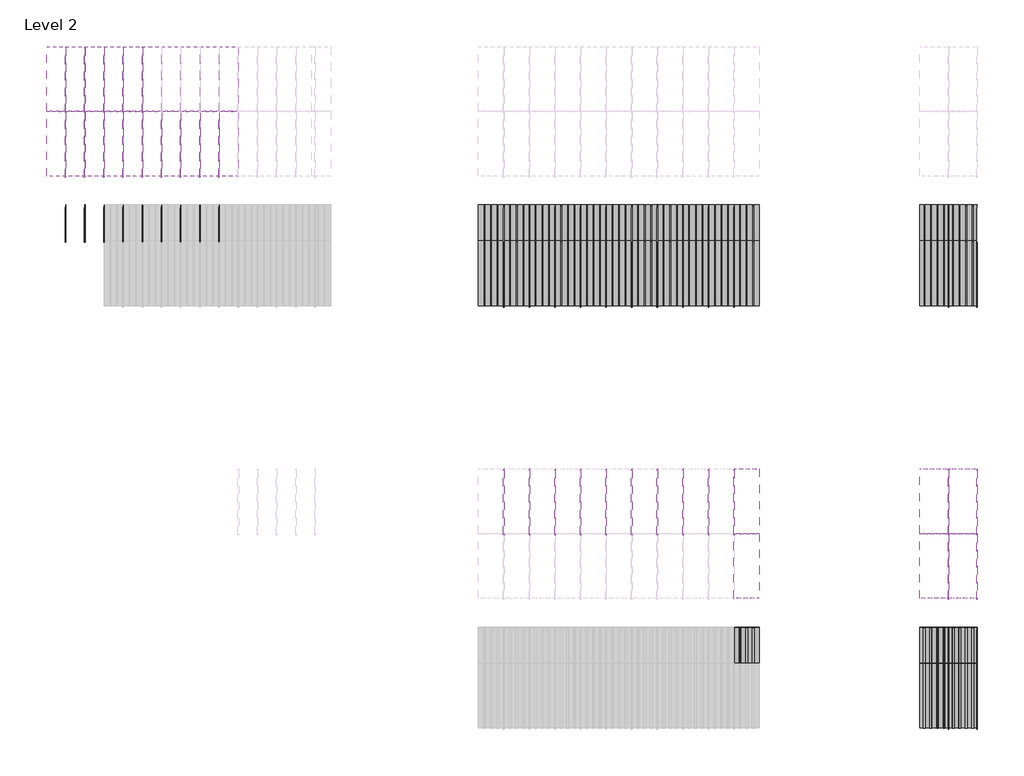
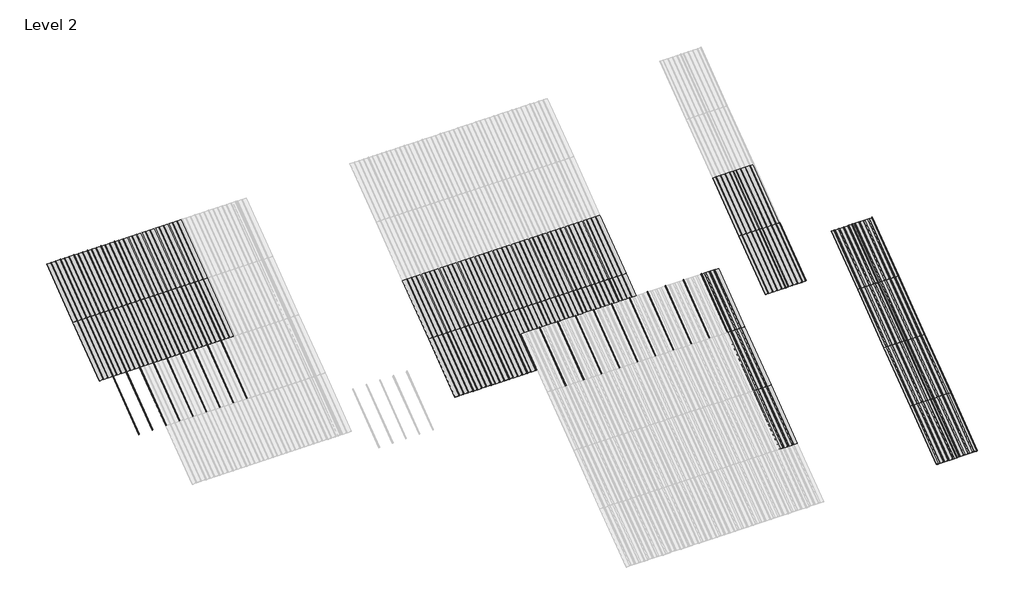
# One storey, part 7 of 113: 57 plates, 53 members.
"""IFC4 building model written with IfcOpenShell, lengths in millimetres."""

import ifcopenshell
import ifcopenshell.guid

model = None  # the IFC model being written
_history = None  # IfcOwnerHistory: only IFC2X3 demands one
_inside = {}  # id of a spatial element -> (the spatial element, [elements in it])
_under = {}  # id of a project, library or spatial element -> (it, [spatial elements below it])
_declared = {}  # id of a project -> (the project, [libraries it declares])
_typed = {}  # id of a type object -> (the type object, [elements of that type])
_made_of = {}  # id of a material, layer set ... -> (it, [elements and type objects made of it])


def new_model(schema):
    """Start an empty IFC model of exactly this schema.

    Asked for "IFC4X3", IfcOpenShell would pick the latest addendum, in which some entities
    have other attributes; the version numbers below select the first issue.
    IFC2X3 requires an IfcOwnerHistory on every rooted entity: one is made here for all.
    """
    global model, _history
    if schema == "IFC4X3":
        model = ifcopenshell.file(schema_version=(4, 3, 0, 0))
    else:
        model = ifcopenshell.file(schema=schema)
    _inside.clear()
    _under.clear()
    _declared.clear()
    _typed.clear()
    _made_of.clear()
    _history = None
    if model.schema == "IFC2X3":
        org = make("IfcOrganization", Name="unknown")
        user = make(
            "IfcPersonAndOrganization",
            ThePerson=make("IfcPerson", FamilyName="unknown"),
            TheOrganization=org,
        )
        app = make(
            "IfcApplication",
            ApplicationDeveloper=org,
            Version="unknown",
            ApplicationFullName="unknown",
            ApplicationIdentifier="unknown",
        )
        _history = make(
            "IfcOwnerHistory",
            OwningUser=user,
            OwningApplication=app,
            ChangeAction="ADDED",
            CreationDate=0,
        )
    return model


def make(cls, **values):
    """One entity of the class cls with the attributes given. An attribute that is None is left unset."""
    return model.create_entity(
        cls, **{name: value for name, value in values.items() if value is not None}
    )


def rooted(cls, **values):
    """An entity with a GlobalId (a new one), such as an element, a storey or a relation."""
    return make(cls, GlobalId=ifcopenshell.guid.new(), OwnerHistory=_history, **values)


def si_unit(unit_type, name, prefix=None):
    """IfcSIUnit, for example si_unit("LENGTHUNIT", "METRE", prefix="MILLI")."""
    return make("IfcSIUnit", UnitType=unit_type, Prefix=prefix, Name=name)


def assignment(units):
    """IfcUnitAssignment: the units of a project."""
    return None if units is None else make("IfcUnitAssignment", Units=units)


def point(xyz):
    """IfcCartesianPoint."""
    return None if xyz is None else make("IfcCartesianPoint", Coordinates=xyz)


def direction(xyz):
    """IfcDirection."""
    return None if xyz is None else make("IfcDirection", DirectionRatios=xyz)


def frame(location, z_axis=None, x_axis=None):
    """IfcAxis2Placement3D, a coordinate frame: its origin and axes. An axis left out is left unset."""
    return make(
        "IfcAxis2Placement3D",
        Location=point(location),
        Axis=direction(z_axis),
        RefDirection=direction(x_axis),
    )


def frame_2d(location, x_axis=None):
    """IfcAxis2Placement2D, a coordinate frame in the plane: its origin and x axis."""
    return make(
        "IfcAxis2Placement2D", Location=point(location), RefDirection=direction(x_axis)
    )


def origin():
    """The frame at (0, 0, 0) with its axes left unset."""
    return frame((0.0, 0.0, 0.0))


def origin_with_axes():
    """The frame at (0, 0, 0) with the z axis (0, 0, 1) and the x axis (1, 0, 0) written out."""
    return frame((0.0, 0.0, 0.0), z_axis=(0.0, 0.0, 1.0), x_axis=(1.0, 0.0, 0.0))


def origin_2d():
    """The frame at (0, 0) in the plane with its x axis left unset."""
    return frame_2d((0.0, 0.0))


def place(relative_to, where):
    """IfcLocalPlacement: puts the frame where relative to a parent placement (None: the world)."""
    return make(
        "IfcLocalPlacement", PlacementRelTo=relative_to, RelativePlacement=where
    )


def context(
    kind, dimensions, precision=None, world=None, true_north=None, identifier=None
):
    """IfcGeometricRepresentationContext, for example the 3D "Model" context."""
    return make(
        "IfcGeometricRepresentationContext",
        ContextIdentifier=identifier,
        ContextType=kind,
        CoordinateSpaceDimension=dimensions,
        Precision=precision,
        WorldCoordinateSystem=world,
        TrueNorth=true_north,
    )


def project(units=None, contexts=None):
    """IfcProject with its units and contexts."""
    return rooted(
        "IfcProject",
        Name="project",
        RepresentationContexts=contexts,
        UnitsInContext=assignment(units),
    )


def spatial(cls, under=None, at=None, **own):
    """A site, building, storey or space (cls), placed at a placement, below another one or the project."""
    s = rooted(cls, ObjectPlacement=at, **own)
    if under is not None:
        _under.setdefault(under.id(), (under, []))[1].append(s)
    return s


def polyline(points):
    """IfcPolyline through the points."""
    return make("IfcPolyline", Points=[point(p) for p in points])


def circle_curve(where, radius):
    """IfcCircle in the frame where."""
    return make("IfcCircle", Position=where, Radius=radius)


def trimmed(basis, trim1, trim2, sense, master):
    """IfcTrimmedCurve: the piece of a basis curve between two trims."""
    return make(
        "IfcTrimmedCurve",
        BasisCurve=basis,
        Trim1=trim1,
        Trim2=trim2,
        SenseAgreement=sense,
        MasterRepresentation=master,
    )


def segment(curve, same_sense, transition):
    """IfcCompositeCurveSegment."""
    return make(
        "IfcCompositeCurveSegment",
        Transition=transition,
        SameSense=same_sense,
        ParentCurve=curve,
    )


def composite_curve(segments, self_intersect=None):
    """IfcCompositeCurve: segments joined end to end."""
    return make("IfcCompositeCurve", Segments=segments, SelfIntersect=self_intersect)


def outline(outer, holes=None, kind="AREA"):
    """IfcArbitraryClosedProfileDef: a profile drawn as a closed curve; with holes, ...WithVoids."""
    if holes is None:
        return make("IfcArbitraryClosedProfileDef", ProfileType=kind, OuterCurve=outer)
    return make(
        "IfcArbitraryProfileDefWithVoids",
        ProfileType=kind,
        OuterCurve=outer,
        InnerCurves=holes,
    )


def extrude(swept, where, along, depth):
    """IfcExtrudedAreaSolid: the profile swept, set in the frame where, extruded along a direction by depth."""
    return make(
        "IfcExtrudedAreaSolid",
        SweptArea=swept,
        Position=where,
        ExtrudedDirection=direction(along),
        Depth=depth,
    )


def shape(context_of_items, identifier, shape_type, items):
    """IfcShapeRepresentation: the items that make up one representation, for example the "Body"."""
    return make(
        "IfcShapeRepresentation",
        ContextOfItems=context_of_items,
        RepresentationIdentifier=identifier,
        RepresentationType=shape_type,
        Items=items,
    )


def source(mapping_origin, context_of_items, identifier, shape_type, items):
    """IfcRepresentationMap: a shape defined once, which mapped items show again and again."""
    return make(
        "IfcRepresentationMap",
        MappingOrigin=mapping_origin,
        MappedRepresentation=shape(context_of_items, identifier, shape_type, items),
    )


def transform(
    local_origin,
    x_axis=None,
    y_axis=None,
    z_axis=None,
    scale=None,
    scale2=None,
    scale3=None,
    uniform=True,
):
    """IfcCartesianTransformationOperator3D, or its non-uniform kind. x_axis, y_axis, z_axis: its Axis1, 2, 3."""
    if uniform:
        return make(
            "IfcCartesianTransformationOperator3D",
            Axis1=direction(x_axis),
            Axis2=direction(y_axis),
            LocalOrigin=point(local_origin),
            Scale=scale,
            Axis3=direction(z_axis),
        )
    return make(
        "IfcCartesianTransformationOperator3DnonUniform",
        Axis1=direction(x_axis),
        Axis2=direction(y_axis),
        LocalOrigin=point(local_origin),
        Scale=scale,
        Axis3=direction(z_axis),
        Scale2=scale2,
        Scale3=scale3,
    )


def mapped(mapping_source, mapping_target):
    """IfcMappedItem: shows the shape of a source again, moved by a transform."""
    return make(
        "IfcMappedItem", MappingSource=mapping_source, MappingTarget=mapping_target
    )


def made_of(thing, what):
    """Note that an element or type object is made of a material, layer set ...; save() writes the relation."""
    if what is not None:
        _made_of.setdefault(what.id(), (what, []))[1].append(thing)
    return thing


def element(
    cls,
    number,
    at=None,
    inside=None,
    cuts=None,
    type_object=None,
    material=None,
    context=None,
    identifier="Body",
    shape_type=None,
    held_by="IfcProductDefinitionShape",
    body=None,
    shapes=None,
    **own,
):
    """One element of the class cls, such as IfcWall. Its Tag is "e" and its number.

    at: its placement. inside: the storey or other place that contains it. cuts: it is an
    opening in that element (IfcRelVoidsElement). A single representation is given by context,
    identifier, shape_type and body (its items); several are given by shapes. held_by: the class
    of the entity that holds the representations. save() writes the other relations.
    """
    e = rooted(cls, Tag="e%d" % number, ObjectPlacement=at, **own)
    if body is not None:
        shapes = [shape(context, identifier, shape_type, body)]
    if shapes is not None:
        e.Representation = make(held_by, Representations=shapes)
    if inside is not None:
        _inside.setdefault(inside.id(), (inside, []))[1].append(e)
    if cuts is not None:
        rooted(
            "IfcRelVoidsElement", RelatingBuildingElement=cuts, RelatedOpeningElement=e
        )
    if type_object is not None:
        _typed.setdefault(type_object.id(), (type_object, []))[1].append(e)
    return made_of(e, material)


def aggregate(whole, parts):
    """IfcRelAggregates: a whole, such as a stair, and the parts it consists of."""
    return rooted("IfcRelAggregates", RelatingObject=whole, RelatedObjects=parts)


def save(model, path):
    """Write the relations noted so far, then the file.

    IfcRelAggregates (storeys below a building ...), IfcRelContainedInSpatialStructure (elements
    in a storey), IfcRelDefinesByType, IfcRelAssociatesMaterial and IfcRelDeclares: one each for
    every whole, place, type object, material and project.
    """
    for whole, parts in _under.values():
        aggregate(whole, parts)
    for where, things in _inside.values():
        rooted(
            "IfcRelContainedInSpatialStructure",
            RelatedElements=things,
            RelatingStructure=where,
        )
    for kind, things in _typed.values():
        rooted("IfcRelDefinesByType", RelatedObjects=things, RelatingType=kind)
    for what, things in _made_of.values():
        rooted("IfcRelAssociatesMaterial", RelatedObjects=things, RelatingMaterial=what)
    for by, libraries in _declared.values():
        rooted("IfcRelDeclares", RelatingContext=by, RelatedDefinitions=libraries)
    model.write(path)


def rectangular_mullion_707b4951(model_context):
    return source(origin(), model_context, "Body", "SweptSolid", [
        extrude(outline(composite_curve([segment(polyline([(-1.651, -33.918525), (-1.651, 0.396875), (1.778, 0.396875), (1.778, -36.458525)]), True, "CONTINUOUS"), segment(trimmed(circle_curve(frame_2d((-0.762, -36.458525)), 2.54), [point((1.778, -36.458525))], [point((-0.762, -38.998525))], False, "CARTESIAN"), True, "CONTINUOUS"), segment(polyline([(-0.762, -38.998525), (-5.207, -38.998525)]), True, "CONTINUOUS"), segment(trimmed(circle_curve(frame_2d((-5.207, -36.458525)), 2.54), [point((-5.207, -38.998525))], [point((-7.747, -36.458525))], False, "CARTESIAN"), True, "CONTINUOUS"), segment(polyline([(-7.747, -36.458525), (-7.747, -26.425525)]), True, "CONTINUOUS"), segment(trimmed(circle_curve(frame_2d((-5.207, -26.425525)), 2.54), [point((-7.747, -26.425525))], [point((-2.667, -26.425525))], False, "CARTESIAN"), True, "CONTINUOUS"), segment(polyline([(-2.667, -26.425525), (-2.667, -33.918525), (-1.651, -33.918525)]), True, "CONTINUOUS")], self_intersect=False)), frame((0.0, 0.0, -1285.875), z_axis=(0.0, 0.0, 1.0), x_axis=(1.0, 0.0, 0.0)), (0.0, 0.0, 1.0), 1285.875),
    ])


def plate_0_032_aluminium_91d3225e(model_context):
    return source(origin(), model_context, "Body", "SweptSolid", [
        extrude(outline(polyline([(-123.9800294, 0.8128), (-120.4316494, -2.73558), (-90.8914494, -2.73558), (-87.3430694, 0.8128), (-18.31848, 0.8128), (-14.7701, -2.73558), (14.7701, -2.73558), (18.31848, 0.8128), (85.75548, 0.8128), (89.30386, -2.73558), (118.84406, -2.73558), (122.39244, 0.8128), (203.2, 0.8128), (203.2, 0.0), (122.456147, 0.0), (118.907767, -3.54838), (89.240153, -3.54838), (85.691773, 0.0), (18.382187, 0.0), (14.833807, -3.54838), (-14.833807, -3.54838), (-18.382187, 0.0), (-87.2793624, 0.0), (-90.8277424, -3.54838), (-120.4953564, -3.54838), (-124.0437364, 0.0), (-203.2, 0.0), (-203.2, 0.8128), (-123.9800294, 0.8128)])), origin_with_axes(), (0.0, 0.0, 1.0), 1285.875),
    ])


def plate_0_032_aluminium_9b7b38d6(model_context):
    return source(origin(), model_context, "Body", "SweptSolid", [
        extrude(outline(polyline([(33.654793, 0.0), (-33.654793, 0.0), (-37.203173, -3.54838), (-66.870787, -3.54838), (-70.419167, 0.0), (-137.728753, 0.0), (-141.277133, -3.54838), (-170.944747, -3.54838), (-174.493127, 0.0), (-228.6, 0.0), (-228.6, 0.8128), (-174.42942, 0.8128), (-170.88104, -2.73558), (-141.34084, -2.73558), (-137.79246, 0.8128), (-70.35546, 0.8128), (-66.80708, -2.73558), (-37.26688, -2.73558), (-33.7185, 0.8128), (33.7185, 0.8128), (37.26688, -2.73558), (66.80708, -2.73558), (70.35546, 0.8128), (137.79246, 0.8128), (141.34084, -2.73558), (170.88104, -2.73558), (174.42942, 0.8128), (228.6, 0.8128), (228.6, 0.0), (174.493127, 0.0), (170.944747, -3.54838), (141.277133, -3.54838), (137.728753, 0.0), (70.419167, 0.0), (66.870787, -3.54838), (37.203173, -3.54838), (33.654793, 0.0)])), origin_with_axes(), (0.0, 0.0, 1.0), 1285.875),
    ])


def plate_0_032_aluminium_90081244(model_context):
    return source(origin(), model_context, "Body", "SweptSolid", [
        extrude(outline(composite_curve([segment(polyline([(-57.57418, 0.8128), (-57.57418, 0.0)]), True, "CONTINUOUS"), segment(trimmed(circle_curve(frame_2d((-52.03698, 0.0)), 5.5372), [point((-57.57418, 0.0))], [point((-46.49978, 0.0))], True, "CARTESIAN"), True, "CONTINUOUS"), segment(polyline([(-46.49978, 0.0), (-46.49978, 0.8128), (46.49978, 0.8128), (46.49978, 0.0)]), True, "CONTINUOUS"), segment(trimmed(circle_curve(frame_2d((52.03698, 0.0)), 5.5372), [point((46.49978, 0.0))], [point((57.57418, 0.0))], True, "CARTESIAN"), True, "CONTINUOUS"), segment(polyline([(57.57418, 0.0), (57.57418, 0.8128), (152.4, 0.8128), (152.4, 0.0), (58.38698, 0.0)]), True, "CONTINUOUS"), segment(trimmed(circle_curve(frame_2d((52.03698, 0.0)), 6.35), [point((58.38698, 0.0))], [point((45.68698, 0.0))], False, "CARTESIAN"), True, "CONTINUOUS"), segment(polyline([(45.68698, 0.0), (-45.68698, 0.0)]), True, "CONTINUOUS"), segment(trimmed(circle_curve(frame_2d((-52.03698, 0.0)), 6.35), [point((-45.68698, 0.0))], [point((-58.38698, 0.0))], False, "CARTESIAN"), True, "CONTINUOUS"), segment(polyline([(-58.38698, 0.0), (-152.4, 0.0), (-152.4, 0.8128), (-57.57418, 0.8128)]), True, "CONTINUOUS")], self_intersect=False)), origin_with_axes(), (0.0, 0.0, 1.0), 1285.875),
    ])


def plate_0_032_aluminium_447bae26(model_context):
    return source(origin(), model_context, "Body", "SweptSolid", [
        extrude(outline(composite_curve([segment(polyline([(-111.1987494, 0.8128), (-111.1987494, 0.0)]), True, "CONTINUOUS"), segment(trimmed(circle_curve(frame_2d((-105.6615494, 0.0)), 5.5372), [point((-111.1987494, 0.0))], [point((-100.1243494, 0.0))], True, "CARTESIAN"), True, "CONTINUOUS"), segment(polyline([(-100.1243494, 0.0), (-100.1243494, 0.8128), (-5.5372, 0.8128), (-5.5372, 0.0)]), True, "CONTINUOUS"), segment(trimmed(circle_curve(origin_2d(), 5.5372), [point((-5.5372, 0.0))], [point((5.5372, 0.0))], True, "CARTESIAN"), True, "CONTINUOUS"), segment(polyline([(5.5372, 0.0), (5.5372, 0.8128), (98.53676, 0.8128), (98.53676, 0.0)]), True, "CONTINUOUS"), segment(trimmed(circle_curve(frame_2d((104.07396, 0.0)), 5.5372), [point((98.53676, 0.0))], [point((109.61116, 0.0))], True, "CARTESIAN"), True, "CONTINUOUS"), segment(polyline([(109.61116, 0.0), (109.61116, 0.8128), (203.2, 0.8128), (203.2, 0.0), (110.42396, 0.0)]), True, "CONTINUOUS"), segment(trimmed(circle_curve(frame_2d((104.07396, 0.0)), 6.35), [point((110.42396, 0.0))], [point((97.72396, 0.0))], False, "CARTESIAN"), True, "CONTINUOUS"), segment(polyline([(97.72396, 0.0), (6.35, 0.0)]), True, "CONTINUOUS"), segment(trimmed(circle_curve(origin_2d(), 6.35), [point((6.35, 0.0))], [point((-6.35, 0.0))], False, "CARTESIAN"), True, "CONTINUOUS"), segment(polyline([(-6.35, 0.0), (-99.3115494, 0.0)]), True, "CONTINUOUS"), segment(trimmed(circle_curve(frame_2d((-105.6615494, 0.0)), 6.35), [point((-99.3115494, 0.0))], [point((-112.0115494, 0.0))], False, "CARTESIAN"), True, "CONTINUOUS"), segment(polyline([(-112.0115494, 0.0), (-203.2, 0.0), (-203.2, 0.8128), (-111.1987494, 0.8128)]), True, "CONTINUOUS")], self_intersect=False)), origin_with_axes(), (0.0, 0.0, 1.0), 1285.875),
    ])


def plate_0_032_aluminium_42d2a43c(model_context):
    return source(origin(), model_context, "Body", "SweptSolid", [
        extrude(outline(composite_curve([segment(polyline([(45.68698, 0.0), (-45.68698, 0.0)]), True, "CONTINUOUS"), segment(trimmed(circle_curve(frame_2d((-52.03698, 0.0)), 6.35), [point((-45.68698, 0.0))], [point((-58.38698, 0.0))], False, "CARTESIAN"), True, "CONTINUOUS"), segment(polyline([(-58.38698, 0.0), (-149.76094, 0.0)]), True, "CONTINUOUS"), segment(trimmed(circle_curve(frame_2d((-156.11094, 0.0)), 6.35), [point((-149.76094, 0.0))], [point((-162.46094, 0.0))], False, "CARTESIAN"), True, "CONTINUOUS"), segment(polyline([(-162.46094, 0.0), (-228.6, 0.0), (-228.6, 0.8128), (-161.64814, 0.8128), (-161.64814, 0.0)]), True, "CONTINUOUS"), segment(trimmed(circle_curve(frame_2d((-156.11094, 0.0)), 5.5372), [point((-161.64814, 0.0))], [point((-150.57374, 0.0))], True, "CARTESIAN"), True, "CONTINUOUS"), segment(polyline([(-150.57374, 0.0), (-150.57374, 0.8128), (-57.57418, 0.8128), (-57.57418, 0.0)]), True, "CONTINUOUS"), segment(trimmed(circle_curve(frame_2d((-52.03698, 0.0)), 5.5372), [point((-57.57418, 0.0))], [point((-46.49978, 0.0))], True, "CARTESIAN"), True, "CONTINUOUS"), segment(polyline([(-46.49978, 0.0), (-46.49978, 0.8128), (46.49978, 0.8128), (46.49978, 0.0)]), True, "CONTINUOUS"), segment(trimmed(circle_curve(frame_2d((52.03698, 0.0)), 5.5372), [point((46.49978, 0.0))], [point((57.57418, 0.0))], True, "CARTESIAN"), True, "CONTINUOUS"), segment(polyline([(57.57418, 0.0), (57.57418, 0.8128), (150.57374, 0.8128), (150.57374, 0.0)]), True, "CONTINUOUS"), segment(trimmed(circle_curve(frame_2d((156.11094, 0.0)), 5.5372), [point((150.57374, 0.0))], [point((161.64814, 0.0))], True, "CARTESIAN"), True, "CONTINUOUS"), segment(polyline([(161.64814, 0.0), (161.64814, 0.8128), (228.6, 0.8128), (228.6, 0.0), (162.46094, 0.0)]), True, "CONTINUOUS"), segment(trimmed(circle_curve(frame_2d((156.11094, 0.0)), 6.35), [point((162.46094, 0.0))], [point((149.76094, 0.0))], False, "CARTESIAN"), True, "CONTINUOUS"), segment(polyline([(149.76094, 0.0), (58.38698, 0.0)]), True, "CONTINUOUS"), segment(trimmed(circle_curve(frame_2d((52.03698, 0.0)), 6.35), [point((58.38698, 0.0))], [point((45.68698, 0.0))], False, "CARTESIAN"), True, "CONTINUOUS")], self_intersect=False)), origin_with_axes(), (0.0, 0.0, 1.0), 1285.875),
    ])


model = new_model("IFC4")

# Units and contexts
model_context = context("Model", 3, world=origin())
ifc_project = project(units=[si_unit("LENGTHUNIT", "METRE", prefix="MILLI")], contexts=[model_context])

# Site, building, storey
site = spatial("IfcSite", under=ifc_project)
building = spatial("IfcBuilding", under=site)
storey = spatial("IfcBuildingStorey", under=building, Name="Level 2", Elevation=3048.0)

# Members
placement = place(None, origin())
rectangular_mullion_shape = rectangular_mullion_707b4951(model_context)
element("IfcMember", 1, ObjectType="Rectangular Mullion", at=placement, inside=storey, context=model_context, shape_type="MappedRepresentation", body=[
    mapped(rectangular_mullion_shape, transform((-7727.6061584, 52371.5493114, 6134.1), x_axis=(1.0, 0.0, 0.0), y_axis=(0.0, 0.5999999999999946, -0.800000000000004), z_axis=(0.0, 0.800000000000004, 0.5999999999999946))),
])
element("IfcMember", 2, ObjectType="Rectangular Mullion", at=placement, inside=storey, context=model_context, shape_type="MappedRepresentation", body=[
    mapped(rectangular_mullion_shape, transform((-7321.2061584, 52371.5493114, 6134.1), x_axis=(1.0, 0.0, 0.0), y_axis=(0.0, 0.5999999999999946, -0.800000000000004), z_axis=(0.0, 0.800000000000004, 0.5999999999999946))),
])
element("IfcMember", 3, ObjectType="Rectangular Mullion", at=placement, inside=storey, context=model_context, shape_type="MappedRepresentation", body=[
    mapped(rectangular_mullion_shape, transform((-6914.8061584, 52371.5493114, 6134.1), x_axis=(1.0, 0.0, 0.0), y_axis=(0.0, 0.5999999999999946, -0.800000000000004), z_axis=(0.0, 0.800000000000004, 0.5999999999999946))),
])
element("IfcMember", 4, ObjectType="Rectangular Mullion", at=placement, inside=storey, context=model_context, shape_type="MappedRepresentation", body=[
    mapped(rectangular_mullion_shape, transform((-6508.4061584, 52371.5493114, 6134.1), x_axis=(1.0, 0.0, 0.0), y_axis=(0.0, 0.5999999999999946, -0.800000000000004), z_axis=(0.0, 0.800000000000004, 0.5999999999999946))),
])
element("IfcMember", 5, ObjectType="Rectangular Mullion", at=placement, inside=storey, context=model_context, shape_type="MappedRepresentation", body=[
    mapped(rectangular_mullion_shape, transform((-6102.0061584, 52371.5493114, 6134.1), x_axis=(1.0, 0.0, 0.0), y_axis=(0.0, 0.5999999999999946, -0.800000000000004), z_axis=(0.0, 0.800000000000004, 0.5999999999999946))),
])
element("IfcMember", 6, ObjectType="Rectangular Mullion", at=placement, inside=storey, context=model_context, shape_type="MappedRepresentation", body=[
    mapped(rectangular_mullion_shape, transform((-5695.6061584, 52371.5493114, 6134.1), x_axis=(1.0, 0.0, 0.0), y_axis=(0.0, 0.5999999999999946, -0.800000000000004), z_axis=(0.0, 0.800000000000004, 0.5999999999999946))),
])
element("IfcMember", 7, ObjectType="Rectangular Mullion", at=placement, inside=storey, context=model_context, shape_type="MappedRepresentation", body=[
    mapped(rectangular_mullion_shape, transform((-5289.2061584, 52371.5493114, 6134.1), x_axis=(1.0, 0.0, 0.0), y_axis=(0.0, 0.5999999999999946, -0.800000000000004), z_axis=(0.0, 0.800000000000004, 0.5999999999999946))),
])
element("IfcMember", 8, ObjectType="Rectangular Mullion", at=placement, inside=storey, context=model_context, shape_type="MappedRepresentation", body=[
    mapped(rectangular_mullion_shape, transform((-4882.8061584, 52371.5493114, 6134.1), x_axis=(1.0, 0.0, 0.0), y_axis=(0.0, 0.5999999999999946, -0.800000000000004), z_axis=(0.0, 0.800000000000004, 0.5999999999999946))),
])
element("IfcMember", 9, ObjectType="Rectangular Mullion", at=placement, inside=storey, context=model_context, shape_type="MappedRepresentation", body=[
    mapped(rectangular_mullion_shape, transform((-4476.4061584, 52371.5493114, 6134.1), x_axis=(1.0, 0.0, 0.0), y_axis=(0.0, 0.5999999999999946, -0.800000000000004), z_axis=(0.0, 0.800000000000004, 0.5999999999999946))),
])
element("IfcMember", 10, ObjectType="Rectangular Mullion", at=placement, inside=storey, context=model_context, shape_type="MappedRepresentation", body=[
    mapped(rectangular_mullion_shape, transform((-666.4061584, 52371.5493114, 6134.1), x_axis=(1.0, 0.0, 0.0), y_axis=(0.0, 0.5999999999999946, -0.800000000000004), z_axis=(0.0, 0.800000000000004, 0.5999999999999946))),
])
element("IfcMember", 11, ObjectType="Rectangular Mullion", at=placement, inside=storey, context=model_context, shape_type="MappedRepresentation", body=[
    mapped(rectangular_mullion_shape, transform((-209.2061584, 52371.5493114, 6134.1), x_axis=(1.0, 0.0, 0.0), y_axis=(0.0, 0.5999999999999946, -0.800000000000004), z_axis=(0.0, 0.800000000000004, 0.5999999999999946))),
])
element("IfcMember", 12, ObjectType="Rectangular Mullion", at=placement, inside=storey, context=model_context, shape_type="MappedRepresentation", body=[
    mapped(rectangular_mullion_shape, transform((-4070.0061584, 52371.5493114, 6134.1), x_axis=(1.0, 0.0, 0.0), y_axis=(0.0, 0.5999999999999946, -0.800000000000004), z_axis=(0.0, 0.800000000000004, 0.5999999999999946))),
])
element("IfcMember", 13, ObjectType="Rectangular Mullion", at=placement, inside=storey, context=model_context, shape_type="MappedRepresentation", body=[
    mapped(rectangular_mullion_shape, transform((-14687.2061584, 59076.6730614, 6134.1), x_axis=(1.0, 0.0, 0.0), y_axis=(0.0, 0.5999999999999946, -0.800000000000004), z_axis=(0.0, 0.800000000000004, 0.5999999999999946))),
])
element("IfcMember", 14, ObjectType="Rectangular Mullion", at=placement, inside=storey, context=model_context, shape_type="MappedRepresentation", body=[
    mapped(rectangular_mullion_shape, transform((-14382.4061584, 59076.6730614, 6134.1), x_axis=(1.0, 0.0, 0.0), y_axis=(0.0, 0.5999999999999946, -0.800000000000004), z_axis=(0.0, 0.800000000000004, 0.5999999999999946))),
])
element("IfcMember", 15, ObjectType="Rectangular Mullion", at=placement, inside=storey, context=model_context, shape_type="MappedRepresentation", body=[
    mapped(rectangular_mullion_shape, transform((-14077.6061584, 59076.6730614, 6134.1), x_axis=(1.0, 0.0, 0.0), y_axis=(0.0, 0.5999999999999946, -0.800000000000004), z_axis=(0.0, 0.800000000000004, 0.5999999999999946))),
])
element("IfcMember", 16, ObjectType="Rectangular Mullion", at=placement, inside=storey, context=model_context, shape_type="MappedRepresentation", body=[
    mapped(rectangular_mullion_shape, transform((-13772.8061584, 59076.6730614, 6134.1), x_axis=(1.0, 0.0, 0.0), y_axis=(0.0, 0.5999999999999946, -0.800000000000004), z_axis=(0.0, 0.800000000000004, 0.5999999999999946))),
])
element("IfcMember", 17, ObjectType="Rectangular Mullion", at=placement, inside=storey, context=model_context, shape_type="MappedRepresentation", body=[
    mapped(rectangular_mullion_shape, transform((-13468.0061584, 59076.6730614, 6134.1), x_axis=(1.0, 0.0, 0.0), y_axis=(0.0, 0.5999999999999946, -0.800000000000004), z_axis=(0.0, 0.800000000000004, 0.5999999999999946))),
])
element("IfcMember", 18, ObjectType="Rectangular Mullion", at=placement, inside=storey, context=model_context, shape_type="MappedRepresentation", body=[
    mapped(rectangular_mullion_shape, transform((-666.4061584, 49285.4493114, 3819.525), x_axis=(1.0, 0.0, 0.0), y_axis=(0.0, 0.5999999999999939, -0.8000000000000047), z_axis=(0.0, 0.8000000000000047, 0.5999999999999939))),
])
element("IfcMember", 19, ObjectType="Rectangular Mullion", at=placement, inside=storey, context=model_context, shape_type="MappedRepresentation", body=[
    mapped(rectangular_mullion_shape, transform((-209.2061584, 49285.4493114, 3819.525), x_axis=(1.0, 0.0, 0.0), y_axis=(0.0, 0.5999999999999939, -0.8000000000000047), z_axis=(0.0, 0.8000000000000047, 0.5999999999999939))),
])
element("IfcMember", 20, ObjectType="Rectangular Mullion", at=placement, inside=storey, context=model_context, shape_type="MappedRepresentation", body=[
    mapped(rectangular_mullion_shape, transform((-7727.6061584, 55990.5730614, 3819.525), x_axis=(1.0, 0.0, 0.0), y_axis=(0.0, 0.5999999999999939, -0.8000000000000047), z_axis=(0.0, 0.8000000000000047, 0.5999999999999939))),
])
element("IfcMember", 21, ObjectType="Rectangular Mullion", at=placement, inside=storey, context=model_context, shape_type="MappedRepresentation", body=[
    mapped(rectangular_mullion_shape, transform((-7321.2061584, 55990.5730614, 3819.525), x_axis=(1.0, 0.0, 0.0), y_axis=(0.0, 0.5999999999999939, -0.8000000000000047), z_axis=(0.0, 0.8000000000000047, 0.5999999999999939))),
])
element("IfcMember", 22, ObjectType="Rectangular Mullion", at=placement, inside=storey, context=model_context, shape_type="MappedRepresentation", body=[
    mapped(rectangular_mullion_shape, transform((-6914.8061584, 55990.5730614, 3819.525), x_axis=(1.0, 0.0, 0.0), y_axis=(0.0, 0.5999999999999939, -0.8000000000000047), z_axis=(0.0, 0.8000000000000047, 0.5999999999999939))),
])
element("IfcMember", 23, ObjectType="Rectangular Mullion", at=placement, inside=storey, context=model_context, shape_type="MappedRepresentation", body=[
    mapped(rectangular_mullion_shape, transform((-6508.4061584, 55990.5730614, 3819.525), x_axis=(1.0, 0.0, 0.0), y_axis=(0.0, 0.5999999999999939, -0.8000000000000047), z_axis=(0.0, 0.8000000000000047, 0.5999999999999939))),
])
element("IfcMember", 24, ObjectType="Rectangular Mullion", at=placement, inside=storey, context=model_context, shape_type="MappedRepresentation", body=[
    mapped(rectangular_mullion_shape, transform((-6102.0061584, 55990.5730614, 3819.525), x_axis=(1.0, 0.0, 0.0), y_axis=(0.0, 0.5999999999999939, -0.8000000000000047), z_axis=(0.0, 0.8000000000000047, 0.5999999999999939))),
])
element("IfcMember", 25, ObjectType="Rectangular Mullion", at=placement, inside=storey, context=model_context, shape_type="MappedRepresentation", body=[
    mapped(rectangular_mullion_shape, transform((-5695.6061584, 55990.5730614, 3819.525), x_axis=(1.0, 0.0, 0.0), y_axis=(0.0, 0.5999999999999939, -0.8000000000000047), z_axis=(0.0, 0.8000000000000047, 0.5999999999999939))),
])
element("IfcMember", 26, ObjectType="Rectangular Mullion", at=placement, inside=storey, context=model_context, shape_type="MappedRepresentation", body=[
    mapped(rectangular_mullion_shape, transform((-5289.2061584, 55990.5730614, 3819.525), x_axis=(1.0, 0.0, 0.0), y_axis=(0.0, 0.5999999999999939, -0.8000000000000047), z_axis=(0.0, 0.8000000000000047, 0.5999999999999939))),
])
element("IfcMember", 27, ObjectType="Rectangular Mullion", at=placement, inside=storey, context=model_context, shape_type="MappedRepresentation", body=[
    mapped(rectangular_mullion_shape, transform((-4882.8061584, 55990.5730614, 3819.525), x_axis=(1.0, 0.0, 0.0), y_axis=(0.0, 0.5999999999999939, -0.8000000000000047), z_axis=(0.0, 0.8000000000000047, 0.5999999999999939))),
])
element("IfcMember", 28, ObjectType="Rectangular Mullion", at=placement, inside=storey, context=model_context, shape_type="MappedRepresentation", body=[
    mapped(rectangular_mullion_shape, transform((-4476.4061584, 55990.5730614, 3819.525), x_axis=(1.0, 0.0, 0.0), y_axis=(0.0, 0.5999999999999939, -0.8000000000000047), z_axis=(0.0, 0.8000000000000047, 0.5999999999999939))),
])
element("IfcMember", 29, ObjectType="Rectangular Mullion", at=placement, inside=storey, context=model_context, shape_type="MappedRepresentation", body=[
    mapped(rectangular_mullion_shape, transform((-666.4061584, 55990.5730614, 3819.525), x_axis=(1.0, 0.0, 0.0), y_axis=(0.0, 0.5999999999999939, -0.8000000000000047), z_axis=(0.0, 0.8000000000000047, 0.5999999999999939))),
])
element("IfcMember", 30, ObjectType="Rectangular Mullion", at=placement, inside=storey, context=model_context, shape_type="MappedRepresentation", body=[
    mapped(rectangular_mullion_shape, transform((-209.2061584, 55990.5730614, 3819.525), x_axis=(1.0, 0.0, 0.0), y_axis=(0.0, 0.5999999999999939, -0.8000000000000047), z_axis=(0.0, 0.8000000000000047, 0.5999999999999939))),
])
element("IfcMember", 31, ObjectType="Rectangular Mullion", at=placement, inside=storey, context=model_context, shape_type="MappedRepresentation", body=[
    mapped(rectangular_mullion_shape, transform((-4070.0061584, 55990.5730614, 3819.525), x_axis=(1.0, 0.0, 0.0), y_axis=(0.0, 0.5999999999999939, -0.8000000000000047), z_axis=(0.0, 0.8000000000000047, 0.5999999999999939))),
])
element("IfcMember", 32, ObjectType="Rectangular Mullion", at=placement, inside=storey, context=model_context, shape_type="MappedRepresentation", body=[
    mapped(rectangular_mullion_shape, transform((-666.4061584, 50314.1493114, 4591.05), x_axis=(1.0, 0.0, 0.0), y_axis=(0.0, 0.5999999999999952, -0.8000000000000037), z_axis=(0.0, 0.8000000000000037, 0.5999999999999952))),
])
element("IfcMember", 33, ObjectType="Rectangular Mullion", at=placement, inside=storey, context=model_context, shape_type="MappedRepresentation", body=[
    mapped(rectangular_mullion_shape, transform((-209.2061584, 50314.1493114, 4591.05), x_axis=(1.0, 0.0, 0.0), y_axis=(0.0, 0.5999999999999952, -0.8000000000000037), z_axis=(0.0, 0.8000000000000037, 0.5999999999999952))),
])
element("IfcMember", 34, ObjectType="Rectangular Mullion", at=placement, inside=storey, context=model_context, shape_type="MappedRepresentation", body=[
    mapped(rectangular_mullion_shape, transform((-666.4061584, 51342.8493114, 5362.575), x_axis=(1.0, 0.0, 0.0), y_axis=(0.0, 0.5999999999999941, -0.8000000000000045), z_axis=(0.0, 0.8000000000000044, 0.599999999999994))),
])
element("IfcMember", 35, ObjectType="Rectangular Mullion", at=placement, inside=storey, context=model_context, shape_type="MappedRepresentation", body=[
    mapped(rectangular_mullion_shape, transform((-209.2061584, 51342.8493114, 5362.575), x_axis=(1.0, 0.0, 0.0), y_axis=(0.0, 0.5999999999999941, -0.8000000000000045), z_axis=(0.0, 0.8000000000000044, 0.599999999999994))),
])
element("IfcMember", 36, ObjectType="Rectangular Mullion", at=placement, inside=storey, context=model_context, shape_type="MappedRepresentation", body=[
    mapped(rectangular_mullion_shape, transform((-14687.2061584, 57019.2730614, 4591.05), x_axis=(1.0, 0.0, 0.0), y_axis=(0.0, 0.5999999999999952, -0.8000000000000037), z_axis=(0.0, 0.8000000000000037, 0.5999999999999952))),
])
element("IfcMember", 37, ObjectType="Rectangular Mullion", at=placement, inside=storey, context=model_context, shape_type="MappedRepresentation", body=[
    mapped(rectangular_mullion_shape, transform((-14382.4061584, 57019.2730614, 4591.05), x_axis=(1.0, 0.0, 0.0), y_axis=(0.0, 0.5999999999999952, -0.8000000000000037), z_axis=(0.0, 0.8000000000000037, 0.5999999999999952))),
])
element("IfcMember", 38, ObjectType="Rectangular Mullion", at=placement, inside=storey, context=model_context, shape_type="MappedRepresentation", body=[
    mapped(rectangular_mullion_shape, transform((-14687.2061584, 58047.9730614, 5362.575), x_axis=(1.0, 0.0, 0.0), y_axis=(0.0, 0.5999999999999941, -0.8000000000000045), z_axis=(0.0, 0.8000000000000044, 0.599999999999994))),
])
element("IfcMember", 39, ObjectType="Rectangular Mullion", at=placement, inside=storey, context=model_context, shape_type="MappedRepresentation", body=[
    mapped(rectangular_mullion_shape, transform((-14382.4061584, 58047.9730614, 5362.575), x_axis=(1.0, 0.0, 0.0), y_axis=(0.0, 0.5999999999999941, -0.8000000000000045), z_axis=(0.0, 0.8000000000000044, 0.599999999999994))),
])
element("IfcMember", 40, ObjectType="Rectangular Mullion", at=placement, inside=storey, context=model_context, shape_type="MappedRepresentation", body=[
    mapped(rectangular_mullion_shape, transform((-14077.6061584, 57019.2730614, 4591.05), x_axis=(1.0, 0.0, 0.0), y_axis=(0.0, 0.5999999999999952, -0.8000000000000037), z_axis=(0.0, 0.8000000000000037, 0.5999999999999952))),
])
element("IfcMember", 41, ObjectType="Rectangular Mullion", at=placement, inside=storey, context=model_context, shape_type="MappedRepresentation", body=[
    mapped(rectangular_mullion_shape, transform((-13772.8061584, 57019.2730614, 4591.05), x_axis=(1.0, 0.0, 0.0), y_axis=(0.0, 0.5999999999999952, -0.8000000000000037), z_axis=(0.0, 0.8000000000000037, 0.5999999999999952))),
])
element("IfcMember", 42, ObjectType="Rectangular Mullion", at=placement, inside=storey, context=model_context, shape_type="MappedRepresentation", body=[
    mapped(rectangular_mullion_shape, transform((-13468.0061584, 57019.2730614, 4591.05), x_axis=(1.0, 0.0, 0.0), y_axis=(0.0, 0.5999999999999952, -0.8000000000000037), z_axis=(0.0, 0.8000000000000037, 0.5999999999999952))),
])
element("IfcMember", 43, ObjectType="Rectangular Mullion", at=placement, inside=storey, context=model_context, shape_type="MappedRepresentation", body=[
    mapped(rectangular_mullion_shape, transform((-13163.2061584, 57019.2730614, 4591.05), x_axis=(1.0, 0.0, 0.0), y_axis=(0.0, 0.5999999999999952, -0.8000000000000037), z_axis=(0.0, 0.8000000000000037, 0.5999999999999952))),
])
element("IfcMember", 44, ObjectType="Rectangular Mullion", at=placement, inside=storey, context=model_context, shape_type="MappedRepresentation", body=[
    mapped(rectangular_mullion_shape, transform((-12858.4061584, 57019.2730614, 4591.05), x_axis=(1.0, 0.0, 0.0), y_axis=(0.0, 0.5999999999999952, -0.8000000000000037), z_axis=(0.0, 0.8000000000000037, 0.5999999999999952))),
])
element("IfcMember", 45, ObjectType="Rectangular Mullion", at=placement, inside=storey, context=model_context, shape_type="MappedRepresentation", body=[
    mapped(rectangular_mullion_shape, transform((-12553.6061584, 57019.2730614, 4591.05), x_axis=(1.0, 0.0, 0.0), y_axis=(0.0, 0.5999999999999952, -0.8000000000000037), z_axis=(0.0, 0.8000000000000037, 0.5999999999999952))),
])
element("IfcMember", 46, ObjectType="Rectangular Mullion", at=placement, inside=storey, context=model_context, shape_type="MappedRepresentation", body=[
    mapped(rectangular_mullion_shape, transform((-12248.8061584, 57019.2730614, 4591.05), x_axis=(1.0, 0.0, 0.0), y_axis=(0.0, 0.5999999999999952, -0.8000000000000037), z_axis=(0.0, 0.8000000000000037, 0.5999999999999952))),
])
element("IfcMember", 47, ObjectType="Rectangular Mullion", at=placement, inside=storey, context=model_context, shape_type="MappedRepresentation", body=[
    mapped(rectangular_mullion_shape, transform((-14077.6061584, 58047.9730614, 5362.575), x_axis=(1.0, 0.0, 0.0), y_axis=(0.0, 0.5999999999999941, -0.8000000000000045), z_axis=(0.0, 0.8000000000000044, 0.599999999999994))),
])
element("IfcMember", 48, ObjectType="Rectangular Mullion", at=placement, inside=storey, context=model_context, shape_type="MappedRepresentation", body=[
    mapped(rectangular_mullion_shape, transform((-13772.8061584, 58047.9730614, 5362.575), x_axis=(1.0, 0.0, 0.0), y_axis=(0.0, 0.5999999999999941, -0.8000000000000045), z_axis=(0.0, 0.8000000000000044, 0.599999999999994))),
])
element("IfcMember", 49, ObjectType="Rectangular Mullion", at=placement, inside=storey, context=model_context, shape_type="MappedRepresentation", body=[
    mapped(rectangular_mullion_shape, transform((-13468.0061584, 58047.9730614, 5362.575), x_axis=(1.0, 0.0, 0.0), y_axis=(0.0, 0.5999999999999941, -0.8000000000000045), z_axis=(0.0, 0.8000000000000044, 0.599999999999994))),
])
element("IfcMember", 50, ObjectType="Rectangular Mullion", at=placement, inside=storey, context=model_context, shape_type="MappedRepresentation", body=[
    mapped(rectangular_mullion_shape, transform((-13163.2061584, 58047.9730614, 5362.575), x_axis=(1.0, 0.0, 0.0), y_axis=(0.0, 0.5999999999999941, -0.8000000000000045), z_axis=(0.0, 0.8000000000000044, 0.599999999999994))),
])
element("IfcMember", 51, ObjectType="Rectangular Mullion", at=placement, inside=storey, context=model_context, shape_type="MappedRepresentation", body=[
    mapped(rectangular_mullion_shape, transform((-12858.4061584, 58047.9730614, 5362.575), x_axis=(1.0, 0.0, 0.0), y_axis=(0.0, 0.5999999999999941, -0.8000000000000045), z_axis=(0.0, 0.8000000000000044, 0.599999999999994))),
])
element("IfcMember", 52, ObjectType="Rectangular Mullion", at=placement, inside=storey, context=model_context, shape_type="MappedRepresentation", body=[
    mapped(rectangular_mullion_shape, transform((-12553.6061584, 58047.9730614, 5362.575), x_axis=(1.0, 0.0, 0.0), y_axis=(0.0, 0.5999999999999941, -0.8000000000000045), z_axis=(0.0, 0.8000000000000044, 0.599999999999994))),
])
element("IfcMember", 53, ObjectType="Rectangular Mullion", at=placement, inside=storey, context=model_context, shape_type="MappedRepresentation", body=[
    mapped(rectangular_mullion_shape, transform((-12248.8061584, 58047.9730614, 5362.575), x_axis=(1.0, 0.0, 0.0), y_axis=(0.0, 0.5999999999999941, -0.8000000000000045), z_axis=(0.0, 0.8000000000000044, 0.599999999999994))),
])

# Plates
plate_0_032_aluminium_shape = plate_0_032_aluminium_91d3225e(model_context)
element("IfcPlate", 54, ObjectType="0.032 Aluminium", at=placement, inside=storey, context=model_context, shape_type="MappedRepresentation", body=[
    mapped(plate_0_032_aluminium_shape, transform((-3872.7116584, 49285.4493114, 3819.525), x_axis=(1.0, 0.0, 0.0), y_axis=(0.0, 0.5999999999999943, -0.8000000000000043), z_axis=(0.0, 0.8000000000000043, 0.5999999999999943))),
])
element("IfcPlate", 55, ObjectType="0.032 Aluminium", at=placement, inside=storey, context=model_context, shape_type="MappedRepresentation", body=[
    mapped(plate_0_032_aluminium_shape, transform((-3872.7116584, 50314.1493114, 4591.05), x_axis=(1.0, 0.0, 0.0), y_axis=(0.0, 0.5999999999999943, -0.8000000000000043), z_axis=(0.0, 0.8000000000000043, 0.5999999999999943))),
])
element("IfcPlate", 56, ObjectType="0.032 Aluminium", at=placement, inside=storey, context=model_context, shape_type="MappedRepresentation", body=[
    mapped(plate_0_032_aluminium_shape, transform((-3872.7116584, 51342.8493114, 5362.575), x_axis=(1.0, 0.0, 0.0), y_axis=(0.0, 0.5999999999999943, -0.8000000000000043), z_axis=(0.0, 0.8000000000000043, 0.5999999999999943))),
])
plate_0_032_aluminium_2_shape = plate_0_032_aluminium_9b7b38d6(model_context)
element("IfcPlate", 57, ObjectType="0.032 Aluminium", at=placement, inside=storey, context=model_context, shape_type="MappedRepresentation", body=[
    mapped(plate_0_032_aluminium_2_shape, transform((-895.0061586, 48256.7493114, 3048.0), x_axis=(1.0, 0.0, 0.0), y_axis=(0.0, 0.5999999999999943, -0.8000000000000043), z_axis=(0.0, 0.8000000000000043, 0.5999999999999943))),
])
element("IfcPlate", 58, ObjectType="0.032 Aluminium", at=placement, inside=storey, context=model_context, shape_type="MappedRepresentation", body=[
    mapped(plate_0_032_aluminium_2_shape, transform((-895.0061586, 49285.4493114, 3819.525), x_axis=(1.0, 0.0, 0.0), y_axis=(0.0, 0.5999999999999943, -0.8000000000000043), z_axis=(0.0, 0.8000000000000043, 0.5999999999999943))),
])
element("IfcPlate", 59, ObjectType="0.032 Aluminium", at=placement, inside=storey, context=model_context, shape_type="MappedRepresentation", body=[
    mapped(plate_0_032_aluminium_2_shape, transform((-895.0061586, 50314.1493114, 4591.05), x_axis=(1.0, 0.0, 0.0), y_axis=(0.0, 0.5999999999999943, -0.8000000000000043), z_axis=(0.0, 0.8000000000000043, 0.5999999999999943))),
])
element("IfcPlate", 60, ObjectType="0.032 Aluminium", at=placement, inside=storey, context=model_context, shape_type="MappedRepresentation", body=[
    mapped(plate_0_032_aluminium_2_shape, transform((-895.0061586, 51342.8493114, 5362.575), x_axis=(1.0, 0.0, 0.0), y_axis=(0.0, 0.5999999999999943, -0.8000000000000043), z_axis=(0.0, 0.8000000000000043, 0.5999999999999943))),
])
element("IfcPlate", 61, ObjectType="0.032 Aluminium", at=placement, inside=storey, context=model_context, shape_type="MappedRepresentation", body=[
    mapped(plate_0_032_aluminium_2_shape, transform((-437.7426584, 48256.7493114, 3048.0), x_axis=(1.0, 0.0, 0.0), y_axis=(0.0, 0.5999999999999943, -0.8000000000000043), z_axis=(0.0, 0.8000000000000043, 0.5999999999999943))),
])
element("IfcPlate", 62, ObjectType="0.032 Aluminium", at=placement, inside=storey, context=model_context, shape_type="MappedRepresentation", body=[
    mapped(plate_0_032_aluminium_2_shape, transform((-437.7426584, 49285.4493114, 3819.525), x_axis=(1.0, 0.0, 0.0), y_axis=(0.0, 0.5999999999999943, -0.8000000000000043), z_axis=(0.0, 0.8000000000000043, 0.5999999999999943))),
])
element("IfcPlate", 63, ObjectType="0.032 Aluminium", at=placement, inside=storey, context=model_context, shape_type="MappedRepresentation", body=[
    mapped(plate_0_032_aluminium_2_shape, transform((-437.7426584, 50314.1493114, 4591.05), x_axis=(1.0, 0.0, 0.0), y_axis=(0.0, 0.5999999999999943, -0.8000000000000043), z_axis=(0.0, 0.8000000000000043, 0.5999999999999943))),
])
element("IfcPlate", 64, ObjectType="0.032 Aluminium", at=placement, inside=storey, context=model_context, shape_type="MappedRepresentation", body=[
    mapped(plate_0_032_aluminium_2_shape, transform((-437.7426584, 51342.8493114, 5362.575), x_axis=(1.0, 0.0, 0.0), y_axis=(0.0, 0.5999999999999943, -0.8000000000000043), z_axis=(0.0, 0.8000000000000043, 0.5999999999999943))),
])
plate_0_032_aluminium_3_shape = plate_0_032_aluminium_90081244(model_context)
element("IfcPlate", 65, ObjectType="0.032 Aluminium", at=placement, inside=storey, context=model_context, shape_type="MappedRepresentation", body=[
    mapped(plate_0_032_aluminium_3_shape, transform((-14839.6061586, 57019.2730614, 4591.05), x_axis=(1.0, 0.0, 0.0), y_axis=(0.0, 0.5999999999999943, -0.8000000000000043), z_axis=(0.0, 0.8000000000000043, 0.5999999999999943))),
])
element("IfcPlate", 66, ObjectType="0.032 Aluminium", at=placement, inside=storey, context=model_context, shape_type="MappedRepresentation", body=[
    mapped(plate_0_032_aluminium_3_shape, transform((-14839.6061586, 58047.9730614, 5362.575), x_axis=(1.0, 0.0, 0.0), y_axis=(0.0, 0.5999999999999943, -0.8000000000000043), z_axis=(0.0, 0.8000000000000043, 0.5999999999999943))),
])
element("IfcPlate", 67, ObjectType="0.032 Aluminium", at=placement, inside=storey, context=model_context, shape_type="MappedRepresentation", body=[
    mapped(plate_0_032_aluminium_3_shape, transform((-14534.7426584, 57019.2730614, 4591.05), x_axis=(1.0, 0.0, 0.0), y_axis=(0.0, 0.5999999999999943, -0.8000000000000043), z_axis=(0.0, 0.8000000000000043, 0.5999999999999943))),
])
element("IfcPlate", 68, ObjectType="0.032 Aluminium", at=placement, inside=storey, context=model_context, shape_type="MappedRepresentation", body=[
    mapped(plate_0_032_aluminium_3_shape, transform((-14229.9426584, 57019.2730614, 4591.05), x_axis=(1.0, 0.0, 0.0), y_axis=(0.0, 0.5999999999999943, -0.8000000000000043), z_axis=(0.0, 0.8000000000000043, 0.5999999999999943))),
])
element("IfcPlate", 69, ObjectType="0.032 Aluminium", at=placement, inside=storey, context=model_context, shape_type="MappedRepresentation", body=[
    mapped(plate_0_032_aluminium_3_shape, transform((-14534.7426584, 58047.9730614, 5362.575), x_axis=(1.0, 0.0, 0.0), y_axis=(0.0, 0.5999999999999943, -0.8000000000000043), z_axis=(0.0, 0.8000000000000043, 0.5999999999999943))),
])
element("IfcPlate", 70, ObjectType="0.032 Aluminium", at=placement, inside=storey, context=model_context, shape_type="MappedRepresentation", body=[
    mapped(plate_0_032_aluminium_3_shape, transform((-14229.9426584, 58047.9730614, 5362.575), x_axis=(1.0, 0.0, 0.0), y_axis=(0.0, 0.5999999999999943, -0.8000000000000043), z_axis=(0.0, 0.8000000000000043, 0.5999999999999943))),
])
element("IfcPlate", 71, ObjectType="0.032 Aluminium", at=placement, inside=storey, context=model_context, shape_type="MappedRepresentation", body=[
    mapped(plate_0_032_aluminium_3_shape, transform((-13925.1426584, 57019.2730614, 4591.05), x_axis=(1.0, 0.0, 0.0), y_axis=(0.0, 0.5999999999999943, -0.8000000000000043), z_axis=(0.0, 0.8000000000000043, 0.5999999999999943))),
])
element("IfcPlate", 72, ObjectType="0.032 Aluminium", at=placement, inside=storey, context=model_context, shape_type="MappedRepresentation", body=[
    mapped(plate_0_032_aluminium_3_shape, transform((-13925.1426584, 58047.9730614, 5362.575), x_axis=(1.0, 0.0, 0.0), y_axis=(0.0, 0.5999999999999943, -0.8000000000000043), z_axis=(0.0, 0.8000000000000043, 0.5999999999999943))),
])
element("IfcPlate", 73, ObjectType="0.032 Aluminium", at=placement, inside=storey, context=model_context, shape_type="MappedRepresentation", body=[
    mapped(plate_0_032_aluminium_3_shape, transform((-13620.3426584, 57019.2730614, 4591.05), x_axis=(1.0, 0.0, 0.0), y_axis=(0.0, 0.5999999999999943, -0.8000000000000043), z_axis=(0.0, 0.8000000000000043, 0.5999999999999943))),
])
element("IfcPlate", 74, ObjectType="0.032 Aluminium", at=placement, inside=storey, context=model_context, shape_type="MappedRepresentation", body=[
    mapped(plate_0_032_aluminium_3_shape, transform((-13620.3426584, 58047.9730614, 5362.575), x_axis=(1.0, 0.0, 0.0), y_axis=(0.0, 0.5999999999999943, -0.8000000000000043), z_axis=(0.0, 0.8000000000000043, 0.5999999999999943))),
])
element("IfcPlate", 75, ObjectType="0.032 Aluminium", at=placement, inside=storey, context=model_context, shape_type="MappedRepresentation", body=[
    mapped(plate_0_032_aluminium_3_shape, transform((-13315.5426584, 57019.2730614, 4591.05), x_axis=(1.0, 0.0, 0.0), y_axis=(0.0, 0.5999999999999943, -0.8000000000000043), z_axis=(0.0, 0.8000000000000043, 0.5999999999999943))),
])
element("IfcPlate", 76, ObjectType="0.032 Aluminium", at=placement, inside=storey, context=model_context, shape_type="MappedRepresentation", body=[
    mapped(plate_0_032_aluminium_3_shape, transform((-13315.5426584, 58047.9730614, 5362.575), x_axis=(1.0, 0.0, 0.0), y_axis=(0.0, 0.5999999999999943, -0.8000000000000043), z_axis=(0.0, 0.8000000000000043, 0.5999999999999943))),
])
element("IfcPlate", 77, ObjectType="0.032 Aluminium", at=placement, inside=storey, context=model_context, shape_type="MappedRepresentation", body=[
    mapped(plate_0_032_aluminium_3_shape, transform((-13010.7426584, 57019.2730614, 4591.05), x_axis=(1.0, 0.0, 0.0), y_axis=(0.0, 0.5999999999999943, -0.8000000000000043), z_axis=(0.0, 0.8000000000000043, 0.5999999999999943))),
])
element("IfcPlate", 78, ObjectType="0.032 Aluminium", at=placement, inside=storey, context=model_context, shape_type="MappedRepresentation", body=[
    mapped(plate_0_032_aluminium_3_shape, transform((-13010.7426584, 58047.9730614, 5362.575), x_axis=(1.0, 0.0, 0.0), y_axis=(0.0, 0.5999999999999943, -0.8000000000000043), z_axis=(0.0, 0.8000000000000043, 0.5999999999999943))),
])
element("IfcPlate", 79, ObjectType="0.032 Aluminium", at=placement, inside=storey, context=model_context, shape_type="MappedRepresentation", body=[
    mapped(plate_0_032_aluminium_3_shape, transform((-12705.9426584, 57019.2730614, 4591.05), x_axis=(1.0, 0.0, 0.0), y_axis=(0.0, 0.5999999999999943, -0.8000000000000043), z_axis=(0.0, 0.8000000000000043, 0.5999999999999943))),
])
element("IfcPlate", 80, ObjectType="0.032 Aluminium", at=placement, inside=storey, context=model_context, shape_type="MappedRepresentation", body=[
    mapped(plate_0_032_aluminium_3_shape, transform((-12705.9426584, 58047.9730614, 5362.575), x_axis=(1.0, 0.0, 0.0), y_axis=(0.0, 0.5999999999999943, -0.8000000000000043), z_axis=(0.0, 0.8000000000000043, 0.5999999999999943))),
])
element("IfcPlate", 81, ObjectType="0.032 Aluminium", at=placement, inside=storey, context=model_context, shape_type="MappedRepresentation", body=[
    mapped(plate_0_032_aluminium_3_shape, transform((-12401.1426584, 57019.2730614, 4591.05), x_axis=(1.0, 0.0, 0.0), y_axis=(0.0, 0.5999999999999943, -0.8000000000000043), z_axis=(0.0, 0.8000000000000043, 0.5999999999999943))),
])
element("IfcPlate", 82, ObjectType="0.032 Aluminium", at=placement, inside=storey, context=model_context, shape_type="MappedRepresentation", body=[
    mapped(plate_0_032_aluminium_3_shape, transform((-12401.1426584, 58047.9730614, 5362.575), x_axis=(1.0, 0.0, 0.0), y_axis=(0.0, 0.5999999999999943, -0.8000000000000043), z_axis=(0.0, 0.8000000000000043, 0.5999999999999943))),
])
element("IfcPlate", 83, ObjectType="0.032 Aluminium", at=placement, inside=storey, context=model_context, shape_type="MappedRepresentation", body=[
    mapped(plate_0_032_aluminium_3_shape, transform((-12096.3426584, 57019.2730614, 4591.05), x_axis=(1.0, 0.0, 0.0), y_axis=(0.0, 0.5999999999999943, -0.8000000000000043), z_axis=(0.0, 0.8000000000000043, 0.5999999999999943))),
])
element("IfcPlate", 84, ObjectType="0.032 Aluminium", at=placement, inside=storey, context=model_context, shape_type="MappedRepresentation", body=[
    mapped(plate_0_032_aluminium_3_shape, transform((-12096.3426584, 58047.9730614, 5362.575), x_axis=(1.0, 0.0, 0.0), y_axis=(0.0, 0.5999999999999943, -0.8000000000000043), z_axis=(0.0, 0.8000000000000043, 0.5999999999999943))),
])
plate_0_032_aluminium_4_shape = plate_0_032_aluminium_447bae26(model_context)
element("IfcPlate", 85, ObjectType="0.032 Aluminium", at=placement, inside=storey, context=model_context, shape_type="MappedRepresentation", body=[
    mapped(plate_0_032_aluminium_4_shape, transform((-7930.8061586, 54961.8730614, 3048.0), x_axis=(1.0, 0.0, 0.0), y_axis=(0.0, 0.5999999999999943, -0.8000000000000043), z_axis=(0.0, 0.8000000000000043, 0.5999999999999943))),
])
element("IfcPlate", 86, ObjectType="0.032 Aluminium", at=placement, inside=storey, context=model_context, shape_type="MappedRepresentation", body=[
    mapped(plate_0_032_aluminium_4_shape, transform((-7930.8061586, 55990.5730614, 3819.525), x_axis=(1.0, 0.0, 0.0), y_axis=(0.0, 0.5999999999999943, -0.8000000000000043), z_axis=(0.0, 0.8000000000000043, 0.5999999999999943))),
])
element("IfcPlate", 87, ObjectType="0.032 Aluminium", at=placement, inside=storey, context=model_context, shape_type="MappedRepresentation", body=[
    mapped(plate_0_032_aluminium_4_shape, transform((-7524.3426584, 54961.8730614, 3048.0), x_axis=(1.0, 0.0, 0.0), y_axis=(0.0, 0.5999999999999943, -0.8000000000000043), z_axis=(0.0, 0.8000000000000043, 0.5999999999999943))),
])
element("IfcPlate", 88, ObjectType="0.032 Aluminium", at=placement, inside=storey, context=model_context, shape_type="MappedRepresentation", body=[
    mapped(plate_0_032_aluminium_4_shape, transform((-7117.9426584, 54961.8730614, 3048.0), x_axis=(1.0, 0.0, 0.0), y_axis=(0.0, 0.5999999999999943, -0.8000000000000043), z_axis=(0.0, 0.8000000000000043, 0.5999999999999943))),
])
element("IfcPlate", 89, ObjectType="0.032 Aluminium", at=placement, inside=storey, context=model_context, shape_type="MappedRepresentation", body=[
    mapped(plate_0_032_aluminium_4_shape, transform((-7524.3426584, 55990.5730614, 3819.525), x_axis=(1.0, 0.0, 0.0), y_axis=(0.0, 0.5999999999999943, -0.8000000000000043), z_axis=(0.0, 0.8000000000000043, 0.5999999999999943))),
])
element("IfcPlate", 90, ObjectType="0.032 Aluminium", at=placement, inside=storey, context=model_context, shape_type="MappedRepresentation", body=[
    mapped(plate_0_032_aluminium_4_shape, transform((-7117.9426584, 55990.5730614, 3819.525), x_axis=(1.0, 0.0, 0.0), y_axis=(0.0, 0.5999999999999943, -0.8000000000000043), z_axis=(0.0, 0.8000000000000043, 0.5999999999999943))),
])
element("IfcPlate", 91, ObjectType="0.032 Aluminium", at=placement, inside=storey, context=model_context, shape_type="MappedRepresentation", body=[
    mapped(plate_0_032_aluminium_4_shape, transform((-6711.5426584, 54961.8730614, 3048.0), x_axis=(1.0, 0.0, 0.0), y_axis=(0.0, 0.5999999999999943, -0.8000000000000043), z_axis=(0.0, 0.8000000000000043, 0.5999999999999943))),
])
element("IfcPlate", 92, ObjectType="0.032 Aluminium", at=placement, inside=storey, context=model_context, shape_type="MappedRepresentation", body=[
    mapped(plate_0_032_aluminium_4_shape, transform((-6711.5426584, 55990.5730614, 3819.525), x_axis=(1.0, 0.0, 0.0), y_axis=(0.0, 0.5999999999999943, -0.8000000000000043), z_axis=(0.0, 0.8000000000000043, 0.5999999999999943))),
])
element("IfcPlate", 93, ObjectType="0.032 Aluminium", at=placement, inside=storey, context=model_context, shape_type="MappedRepresentation", body=[
    mapped(plate_0_032_aluminium_4_shape, transform((-6305.1426584, 54961.8730614, 3048.0), x_axis=(1.0, 0.0, 0.0), y_axis=(0.0, 0.5999999999999943, -0.8000000000000043), z_axis=(0.0, 0.8000000000000043, 0.5999999999999943))),
])
element("IfcPlate", 94, ObjectType="0.032 Aluminium", at=placement, inside=storey, context=model_context, shape_type="MappedRepresentation", body=[
    mapped(plate_0_032_aluminium_4_shape, transform((-6305.1426584, 55990.5730614, 3819.525), x_axis=(1.0, 0.0, 0.0), y_axis=(0.0, 0.5999999999999943, -0.8000000000000043), z_axis=(0.0, 0.8000000000000043, 0.5999999999999943))),
])
element("IfcPlate", 95, ObjectType="0.032 Aluminium", at=placement, inside=storey, context=model_context, shape_type="MappedRepresentation", body=[
    mapped(plate_0_032_aluminium_4_shape, transform((-5898.7426584, 54961.8730614, 3048.0), x_axis=(1.0, 0.0, 0.0), y_axis=(0.0, 0.5999999999999943, -0.8000000000000043), z_axis=(0.0, 0.8000000000000043, 0.5999999999999943))),
])
element("IfcPlate", 96, ObjectType="0.032 Aluminium", at=placement, inside=storey, context=model_context, shape_type="MappedRepresentation", body=[
    mapped(plate_0_032_aluminium_4_shape, transform((-5898.7426584, 55990.5730614, 3819.525), x_axis=(1.0, 0.0, 0.0), y_axis=(0.0, 0.5999999999999943, -0.8000000000000043), z_axis=(0.0, 0.8000000000000043, 0.5999999999999943))),
])
element("IfcPlate", 97, ObjectType="0.032 Aluminium", at=placement, inside=storey, context=model_context, shape_type="MappedRepresentation", body=[
    mapped(plate_0_032_aluminium_4_shape, transform((-5492.3426584, 54961.8730614, 3048.0), x_axis=(1.0, 0.0, 0.0), y_axis=(0.0, 0.5999999999999943, -0.8000000000000043), z_axis=(0.0, 0.8000000000000043, 0.5999999999999943))),
])
element("IfcPlate", 98, ObjectType="0.032 Aluminium", at=placement, inside=storey, context=model_context, shape_type="MappedRepresentation", body=[
    mapped(plate_0_032_aluminium_4_shape, transform((-5492.3426584, 55990.5730614, 3819.525), x_axis=(1.0, 0.0, 0.0), y_axis=(0.0, 0.5999999999999943, -0.8000000000000043), z_axis=(0.0, 0.8000000000000043, 0.5999999999999943))),
])
element("IfcPlate", 99, ObjectType="0.032 Aluminium", at=placement, inside=storey, context=model_context, shape_type="MappedRepresentation", body=[
    mapped(plate_0_032_aluminium_4_shape, transform((-5085.9426584, 54961.8730614, 3048.0), x_axis=(1.0, 0.0, 0.0), y_axis=(0.0, 0.5999999999999943, -0.8000000000000043), z_axis=(0.0, 0.8000000000000043, 0.5999999999999943))),
])
element("IfcPlate", 100, ObjectType="0.032 Aluminium", at=placement, inside=storey, context=model_context, shape_type="MappedRepresentation", body=[
    mapped(plate_0_032_aluminium_4_shape, transform((-5085.9426584, 55990.5730614, 3819.525), x_axis=(1.0, 0.0, 0.0), y_axis=(0.0, 0.5999999999999943, -0.8000000000000043), z_axis=(0.0, 0.8000000000000043, 0.5999999999999943))),
])
element("IfcPlate", 101, ObjectType="0.032 Aluminium", at=placement, inside=storey, context=model_context, shape_type="MappedRepresentation", body=[
    mapped(plate_0_032_aluminium_4_shape, transform((-4679.5426584, 54961.8730614, 3048.0), x_axis=(1.0, 0.0, 0.0), y_axis=(0.0, 0.5999999999999943, -0.8000000000000043), z_axis=(0.0, 0.8000000000000043, 0.5999999999999943))),
])
element("IfcPlate", 102, ObjectType="0.032 Aluminium", at=placement, inside=storey, context=model_context, shape_type="MappedRepresentation", body=[
    mapped(plate_0_032_aluminium_4_shape, transform((-4679.5426584, 55990.5730614, 3819.525), x_axis=(1.0, 0.0, 0.0), y_axis=(0.0, 0.5999999999999943, -0.8000000000000043), z_axis=(0.0, 0.8000000000000043, 0.5999999999999943))),
])
element("IfcPlate", 103, ObjectType="0.032 Aluminium", at=placement, inside=storey, context=model_context, shape_type="MappedRepresentation", body=[
    mapped(plate_0_032_aluminium_4_shape, transform((-4273.1426584, 54961.8730614, 3048.0), x_axis=(1.0, 0.0, 0.0), y_axis=(0.0, 0.5999999999999943, -0.8000000000000043), z_axis=(0.0, 0.8000000000000043, 0.5999999999999943))),
])
element("IfcPlate", 104, ObjectType="0.032 Aluminium", at=placement, inside=storey, context=model_context, shape_type="MappedRepresentation", body=[
    mapped(plate_0_032_aluminium_4_shape, transform((-4273.1426584, 55990.5730614, 3819.525), x_axis=(1.0, 0.0, 0.0), y_axis=(0.0, 0.5999999999999943, -0.8000000000000043), z_axis=(0.0, 0.8000000000000043, 0.5999999999999943))),
])
element("IfcPlate", 105, ObjectType="0.032 Aluminium", at=placement, inside=storey, context=model_context, shape_type="MappedRepresentation", body=[
    mapped(plate_0_032_aluminium_4_shape, transform((-3872.7116584, 54961.8730614, 3048.0), x_axis=(1.0, 0.0, 0.0), y_axis=(0.0, 0.5999999999999943, -0.8000000000000043), z_axis=(0.0, 0.8000000000000043, 0.5999999999999943))),
])
element("IfcPlate", 106, ObjectType="0.032 Aluminium", at=placement, inside=storey, context=model_context, shape_type="MappedRepresentation", body=[
    mapped(plate_0_032_aluminium_4_shape, transform((-3872.7116584, 55990.5730614, 3819.525), x_axis=(1.0, 0.0, 0.0), y_axis=(0.0, 0.5999999999999943, -0.8000000000000043), z_axis=(0.0, 0.8000000000000043, 0.5999999999999943))),
])
plate_0_032_aluminium_5_shape = plate_0_032_aluminium_42d2a43c(model_context)
element("IfcPlate", 107, ObjectType="0.032 Aluminium", at=placement, inside=storey, context=model_context, shape_type="MappedRepresentation", body=[
    mapped(plate_0_032_aluminium_5_shape, transform((-895.0061586, 54961.8730614, 3048.0), x_axis=(1.0, 0.0, 0.0), y_axis=(0.0, 0.5999999999999943, -0.8000000000000043), z_axis=(0.0, 0.8000000000000043, 0.5999999999999943))),
])
element("IfcPlate", 108, ObjectType="0.032 Aluminium", at=placement, inside=storey, context=model_context, shape_type="MappedRepresentation", body=[
    mapped(plate_0_032_aluminium_5_shape, transform((-895.0061586, 55990.5730614, 3819.525), x_axis=(1.0, 0.0, 0.0), y_axis=(0.0, 0.5999999999999943, -0.8000000000000043), z_axis=(0.0, 0.8000000000000043, 0.5999999999999943))),
])
element("IfcPlate", 109, ObjectType="0.032 Aluminium", at=placement, inside=storey, context=model_context, shape_type="MappedRepresentation", body=[
    mapped(plate_0_032_aluminium_5_shape, transform((-437.7426584, 54961.8730614, 3048.0), x_axis=(1.0, 0.0, 0.0), y_axis=(0.0, 0.5999999999999943, -0.8000000000000043), z_axis=(0.0, 0.8000000000000043, 0.5999999999999943))),
])
element("IfcPlate", 110, ObjectType="0.032 Aluminium", at=placement, inside=storey, context=model_context, shape_type="MappedRepresentation", body=[
    mapped(plate_0_032_aluminium_5_shape, transform((-437.7426584, 55990.5730614, 3819.525), x_axis=(1.0, 0.0, 0.0), y_axis=(0.0, 0.5999999999999943, -0.8000000000000043), z_axis=(0.0, 0.8000000000000043, 0.5999999999999943))),
])

save(model, "model.ifc")
